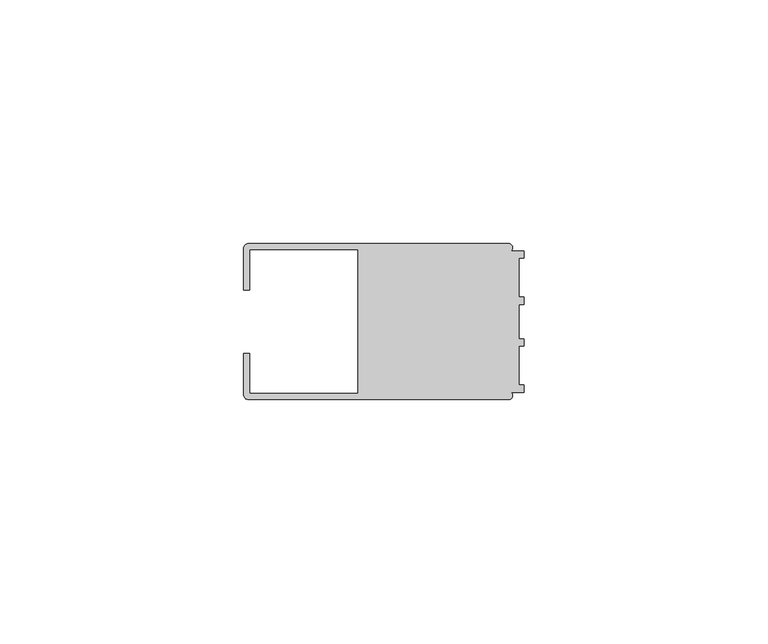
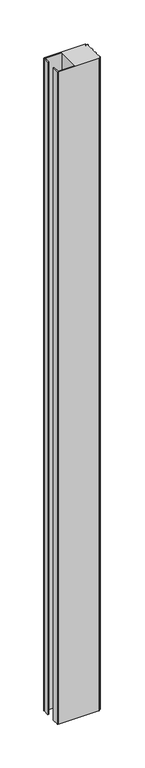
"""IFC4 building model written with IfcOpenShell, lengths in millimetres: member geometry."""

from ifc_helpers import new_model, si_unit, point, frame, frame_2d, origin, place, context, project, spatial, polyline, circle_curve, trimmed, segment, composite_curve, outline, extrude, source, transform, mapped, element, save


def member_de5bbfc8(model_context):
    return source(origin(), model_context, "Body", "SweptSolid", [
        extrude(outline(composite_curve([segment(polyline([(-57.5, -6.4992596), (-56.2495396, -6.4992596), (-56.2495396, -14.748825), (-34.0, -14.748825), (-34.0, 14.7490791), (-56.2495396, 14.7490791), (-56.2495396, 6.4995138), (-57.5, 6.4995138), (-57.5, 14.9988146)]), True, "CONTINUOUS"), segment(trimmed(circle_curve(frame_2d((-56.4988146, 14.9988146)), 1.0011854), [point((-57.5, 14.9988146))], [point((-56.4988146, 16.0))], False, "CARTESIAN"), True, "CONTINUOUS"), segment(polyline([(-56.4988146, 16.0), (-3.1117213, 16.0)]), True, "CONTINUOUS"), segment(trimmed(circle_curve(frame_2d((-3.1117213, 15.2000428)), 0.7999572), [point((-3.1117213, 16.0))], [point((-2.7237818, 14.5004469))], False, "CARTESIAN"), True, "CONTINUOUS"), segment(polyline([(-2.7237818, 14.5004469), (0.0, 14.5004469), (0.0, 13.0002136), (-0.999267, 13.0002136), (-0.999267, 5.0005709), (0.0, 5.0005709), (0.0, 3.5391588), (-0.999267, 3.5001879), (-0.999267, -3.5001879), (0.0, -3.5378881), (0.0, -4.9993001), (-0.999267, -4.9993001), (-0.999267, -12.9993664), (0.0, -12.9993664), (0.0, -14.4989182), (-2.7260256, -14.4989182)]), True, "CONTINUOUS"), segment(trimmed(circle_curve(frame_2d((-3.1117577, -15.2001372)), 0.8003107), [point((-2.7260256, -14.4989182))], [point((-3.1385263, -16.0))], False, "CARTESIAN"), True, "CONTINUOUS"), segment(polyline([(-3.1385263, -16.0), (-56.498921, -16.0)]), True, "CONTINUOUS"), segment(trimmed(circle_curve(frame_2d((-56.498921, -14.998921)), 1.001079), [point((-56.498921, -16.0))], [point((-57.5, -14.998921))], False, "CARTESIAN"), True, "CONTINUOUS"), segment(polyline([(-57.5, -14.998921), (-57.5, -6.4992596)]), True, "CONTINUOUS")], self_intersect=False)), frame((0.0, 0.0, -912.0000003), z_axis=(0.0, 0.0, 1.0), x_axis=(1.0, 0.0, 0.0)), (0.0, 0.0, 1.0), 912.0000003),
    ])


if __name__ == "__main__":
    model = new_model("IFC4")
    model_context = context("Model", 3, world=origin())
    ifc_project = project(units=[si_unit("LENGTHUNIT", "METRE", prefix="MILLI")], contexts=[model_context])
    site = spatial("IfcSite", under=ifc_project)
    building = spatial("IfcBuilding", under=site)
    placement = place(None, origin())
    member_shape = member_de5bbfc8(model_context)
    element("IfcMember", 1, at=placement, inside=building, context=model_context, shape_type="MappedRepresentation", body=[
        mapped(member_shape, transform((0.0, 0.0, 0.0), x_axis=(1.0, 0.0, 0.0), y_axis=(0.0, 1.0, 0.0), z_axis=(0.0, 0.0, 1.0))),
    ])
    save(model, "model.ifc")
